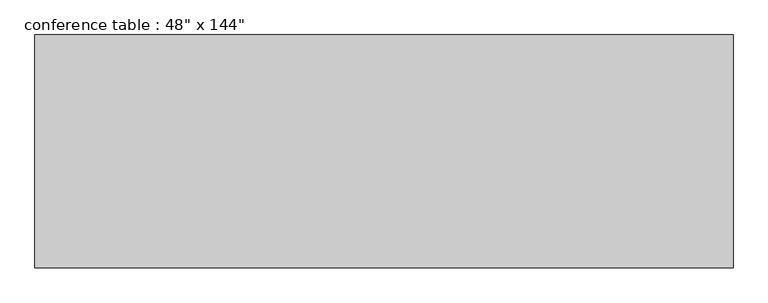
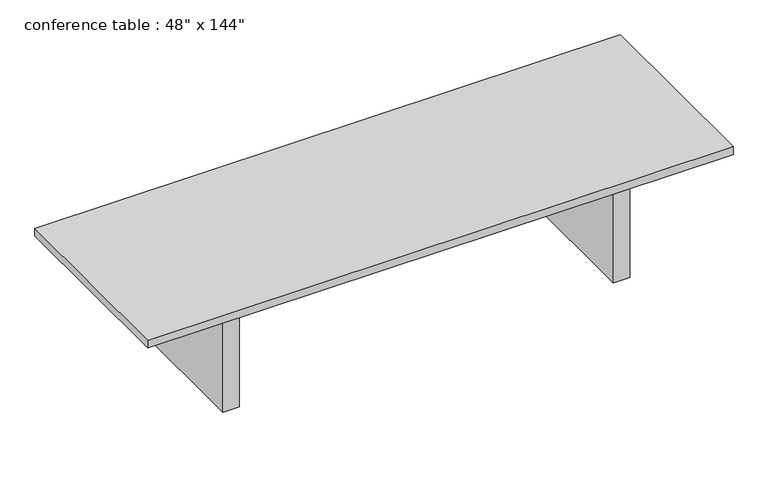
"""IFC4 building model written with IfcOpenShell, lengths in millimetres: furniture geometry."""

from ifc_helpers import new_model, si_unit, frame, origin, origin_with_axes, place, context, project, spatial, polyline, outline, extrude, source, transform, mapped, element, save


def furniture_0c50ee7b(model_context):
    return source(origin(), model_context, "Body", "SweptSolid", [
        extrude(outline(polyline([(1828.8, -609.6), (-1828.8, -609.6), (-1828.8, 609.6), (1828.8, 609.6), (1828.8, -609.6)])), frame((0.0, 0.0, 711.2), z_axis=(0.0, 0.0, 1.0), x_axis=(1.0, 0.0, 0.0)), (0.0, 0.0, 1.0), 50.8),
        extrude(outline(polyline([(1168.4, 457.2), (1168.4, 419.1), (-1168.4, 419.1), (-1168.4, 457.2), (1168.4, 457.2)])), frame((0.0, 0.0, 609.6), z_axis=(0.0, 0.0, 1.0), x_axis=(1.0, 0.0, 0.0)), (0.0, 0.0, 1.0), 101.6),
        extrude(outline(polyline([(1168.4, -457.2), (-1168.4, -457.2), (-1168.4, -419.1), (1168.4, -419.1), (1168.4, -457.2)])), frame((0.0, 0.0, 609.6), z_axis=(0.0, 0.0, 1.0), x_axis=(1.0, 0.0, 0.0)), (0.0, 0.0, 1.0), 101.6),
        extrude(outline(polyline([(-1168.4, -457.2), (-1270.0, -457.2), (-1270.0, 457.2), (-1168.4, 457.2), (-1168.4, -457.2)])), origin_with_axes(), (0.0, 0.0, 1.0), 711.2),
        extrude(outline(polyline([(1270.0, -457.2), (1168.4, -457.2), (1168.4, 457.2), (1270.0, 457.2), (1270.0, -457.2)])), origin_with_axes(), (0.0, 0.0, 1.0), 711.2),
    ])


if __name__ == "__main__":
    model = new_model("IFC4")
    model_context = context("Model", 3, world=origin())
    ifc_project = project(units=[si_unit("LENGTHUNIT", "METRE", prefix="MILLI")], contexts=[model_context])
    site = spatial("IfcSite", under=ifc_project)
    building = spatial("IfcBuilding", under=site)
    placement = place(None, origin())
    furniture_shape = furniture_0c50ee7b(model_context)
    element("IfcFurniture", 1, ObjectType="conference table : 48\" x 144\"", at=placement, inside=building, context=model_context, shape_type="MappedRepresentation", body=[
        mapped(furniture_shape, transform((0.0, 0.0, 0.0), x_axis=(1.0, 0.0, 0.0), y_axis=(0.0, 1.0, 0.0), z_axis=(0.0, 0.0, 1.0))),
    ])
    save(model, "model.ifc")
